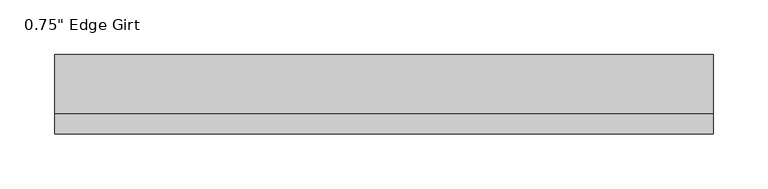
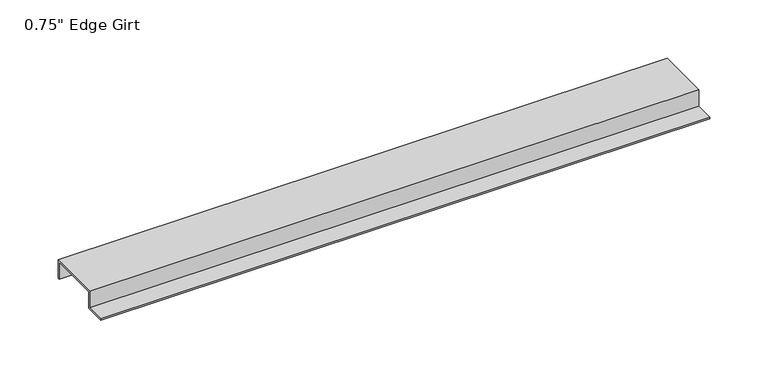
"""IFC4 building model written with IfcOpenShell, lengths in millimetres: proxy geometry."""

from ifc_helpers import new_model, si_unit, frame, origin, place, context, project, spatial, polyline, outline, extrude, source, transform, mapped, element, save


def proxy_135443cf(model_context):
    return source(origin(), model_context, "Body", "SweptSolid", [
        extrude(outline(polyline([(-46.0559645, -17.4375), (-46.0559645, -15.8242), (-27.0129, -15.8242), (-27.0129, 1.6129), (27.0129, 1.6129), (27.0129, -17.4375), (25.4, -17.4375), (25.4, 0.0), (-25.4, 0.0), (-25.4, -17.4375), (-46.0559645, -17.4375)])), frame((0.0, 0.0, 0.0), z_axis=(1.0, 0.0, 0.0), x_axis=(0.0, 1.0, 0.0)), (0.0, 0.0, 1.0), 603.25),
    ])


if __name__ == "__main__":
    model = new_model("IFC4")
    model_context = context("Model", 3, world=origin())
    ifc_project = project(units=[si_unit("LENGTHUNIT", "METRE", prefix="MILLI")], contexts=[model_context])
    site = spatial("IfcSite", under=ifc_project)
    building = spatial("IfcBuilding", under=site)
    placement = place(None, origin())
    proxy_shape = proxy_135443cf(model_context)
    element("IfcBuildingElementProxy", 1, Name="0.75\" Edge Girt", ObjectType="0.75\" Edge Girt", at=placement, inside=building, context=model_context, shape_type="MappedRepresentation", body=[
        mapped(proxy_shape, transform((0.0, 0.0, 0.0), x_axis=(1.0, 0.0, 0.0), y_axis=(0.0, 1.0, 0.0), z_axis=(0.0, 0.0, 1.0))),
    ])
    save(model, "model.ifc")
